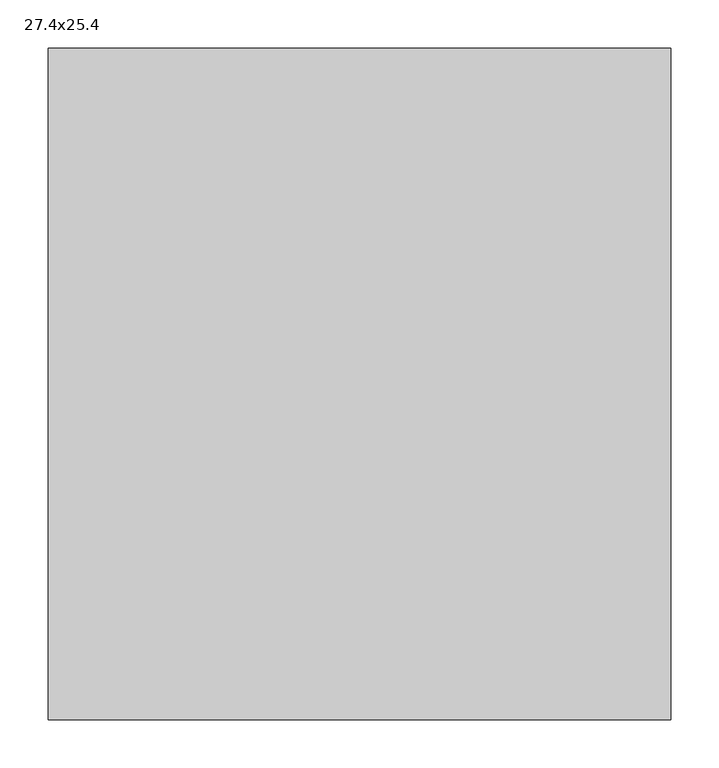
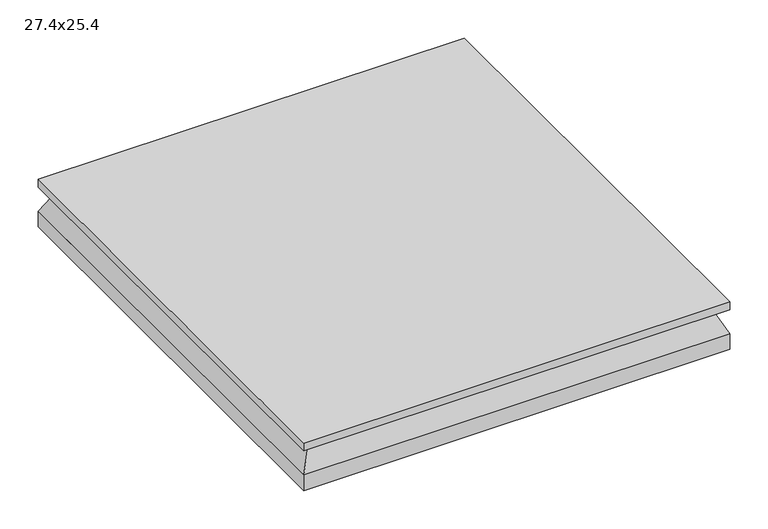
"""IFC4 building model written with IfcOpenShell, lengths in millimetres: air terminal geometry, 27.4x25.4."""

import ifcopenshell
import ifcopenshell.guid

model = None  # the IFC model being written
_history = None  # IfcOwnerHistory: only IFC2X3 demands one
_inside = {}  # id of a spatial element -> (the spatial element, [elements in it])
_under = {}  # id of a project, library or spatial element -> (it, [spatial elements below it])
_declared = {}  # id of a project -> (the project, [libraries it declares])
_typed = {}  # id of a type object -> (the type object, [elements of that type])
_made_of = {}  # id of a material, layer set ... -> (it, [elements and type objects made of it])


def new_model(schema):
    """Start an empty IFC model of exactly this schema.

    Asked for "IFC4X3", IfcOpenShell would pick the latest addendum, in which some entities
    have other attributes; the version numbers below select the first issue.
    IFC2X3 requires an IfcOwnerHistory on every rooted entity: one is made here for all.
    """
    global model, _history
    if schema == "IFC4X3":
        model = ifcopenshell.file(schema_version=(4, 3, 0, 0))
    else:
        model = ifcopenshell.file(schema=schema)
    _inside.clear()
    _under.clear()
    _declared.clear()
    _typed.clear()
    _made_of.clear()
    _history = None
    if model.schema == "IFC2X3":
        org = make("IfcOrganization", Name="unknown")
        user = make(
            "IfcPersonAndOrganization",
            ThePerson=make("IfcPerson", FamilyName="unknown"),
            TheOrganization=org,
        )
        app = make(
            "IfcApplication",
            ApplicationDeveloper=org,
            Version="unknown",
            ApplicationFullName="unknown",
            ApplicationIdentifier="unknown",
        )
        _history = make(
            "IfcOwnerHistory",
            OwningUser=user,
            OwningApplication=app,
            ChangeAction="ADDED",
            CreationDate=0,
        )
    return model


def make(cls, **values):
    """One entity of the class cls with the attributes given. An attribute that is None is left unset."""
    return model.create_entity(
        cls, **{name: value for name, value in values.items() if value is not None}
    )


def rooted(cls, **values):
    """An entity with a GlobalId (a new one), such as an element, a storey or a relation."""
    return make(cls, GlobalId=ifcopenshell.guid.new(), OwnerHistory=_history, **values)


def si_unit(unit_type, name, prefix=None):
    """IfcSIUnit, for example si_unit("LENGTHUNIT", "METRE", prefix="MILLI")."""
    return make("IfcSIUnit", UnitType=unit_type, Prefix=prefix, Name=name)


def assignment(units):
    """IfcUnitAssignment: the units of a project."""
    return None if units is None else make("IfcUnitAssignment", Units=units)


def point(xyz):
    """IfcCartesianPoint."""
    return None if xyz is None else make("IfcCartesianPoint", Coordinates=xyz)


def direction(xyz):
    """IfcDirection."""
    return None if xyz is None else make("IfcDirection", DirectionRatios=xyz)


def frame(location, z_axis=None, x_axis=None):
    """IfcAxis2Placement3D, a coordinate frame: its origin and axes. An axis left out is left unset."""
    return make(
        "IfcAxis2Placement3D",
        Location=point(location),
        Axis=direction(z_axis),
        RefDirection=direction(x_axis),
    )


def origin():
    """The frame at (0, 0, 0) with its axes left unset."""
    return frame((0.0, 0.0, 0.0))


def origin_with_axes():
    """The frame at (0, 0, 0) with the z axis (0, 0, 1) and the x axis (1, 0, 0) written out."""
    return frame((0.0, 0.0, 0.0), z_axis=(0.0, 0.0, 1.0), x_axis=(1.0, 0.0, 0.0))


def place(relative_to, where):
    """IfcLocalPlacement: puts the frame where relative to a parent placement (None: the world)."""
    return make(
        "IfcLocalPlacement", PlacementRelTo=relative_to, RelativePlacement=where
    )


def context(
    kind, dimensions, precision=None, world=None, true_north=None, identifier=None
):
    """IfcGeometricRepresentationContext, for example the 3D "Model" context."""
    return make(
        "IfcGeometricRepresentationContext",
        ContextIdentifier=identifier,
        ContextType=kind,
        CoordinateSpaceDimension=dimensions,
        Precision=precision,
        WorldCoordinateSystem=world,
        TrueNorth=true_north,
    )


def project(units=None, contexts=None):
    """IfcProject with its units and contexts."""
    return rooted(
        "IfcProject",
        Name="project",
        RepresentationContexts=contexts,
        UnitsInContext=assignment(units),
    )


def spatial(cls, under=None, at=None, **own):
    """A site, building, storey or space (cls), placed at a placement, below another one or the project."""
    s = rooted(cls, ObjectPlacement=at, **own)
    if under is not None:
        _under.setdefault(under.id(), (under, []))[1].append(s)
    return s


def polyline(points):
    """IfcPolyline through the points."""
    return make("IfcPolyline", Points=[point(p) for p in points])


def outline(outer, holes=None, kind="AREA"):
    """IfcArbitraryClosedProfileDef: a profile drawn as a closed curve; with holes, ...WithVoids."""
    if holes is None:
        return make("IfcArbitraryClosedProfileDef", ProfileType=kind, OuterCurve=outer)
    return make(
        "IfcArbitraryProfileDefWithVoids",
        ProfileType=kind,
        OuterCurve=outer,
        InnerCurves=holes,
    )


def extrude(swept, where, along, depth):
    """IfcExtrudedAreaSolid: the profile swept, set in the frame where, extruded along a direction by depth."""
    return make(
        "IfcExtrudedAreaSolid",
        SweptArea=swept,
        Position=where,
        ExtrudedDirection=direction(along),
        Depth=depth,
    )


def faces_of(points, faces, orient=None, outer=None):
    """IfcFace entities. A face is a list of loops; a loop is a list of indices into points, from 0.

    orient and outer hold one flag for each loop. By default every Orientation is true, the
    first loop of a face is its IfcFaceOuterBound and the others are IfcFaceBound.
    """
    made = []
    for i, loops in enumerate(faces):
        bounds = []
        for j, loop in enumerate(loops):
            is_outer = j == 0 if outer is None else outer[i][j]
            bounds.append(
                make(
                    "IfcFaceOuterBound" if is_outer else "IfcFaceBound",
                    Bound=make("IfcPolyLoop", Polygon=[points[k] for k in loop]),
                    Orientation=True if orient is None else orient[i][j],
                )
            )
        made.append(make("IfcFace", Bounds=bounds))
    return made


def faceted_brep(points, faces, orient=None, outer=None, voids=None):
    """IfcFacetedBrep: a solid bounded by flat faces; with voids (closed shells), ...WithVoids."""
    shared = [point(p) for p in points]
    hull = make("IfcClosedShell", CfsFaces=faces_of(shared, faces, orient, outer))
    if voids is None:
        return make("IfcFacetedBrep", Outer=hull)
    return make(
        "IfcFacetedBrepWithVoids",
        Outer=hull,
        Voids=[
            make(cls, CfsFaces=faces_of(shared, fs, o, b)) for cls, fs, o, b in voids
        ],
    )


def shape(context_of_items, identifier, shape_type, items):
    """IfcShapeRepresentation: the items that make up one representation, for example the "Body"."""
    return make(
        "IfcShapeRepresentation",
        ContextOfItems=context_of_items,
        RepresentationIdentifier=identifier,
        RepresentationType=shape_type,
        Items=items,
    )


def source(mapping_origin, context_of_items, identifier, shape_type, items):
    """IfcRepresentationMap: a shape defined once, which mapped items show again and again."""
    return make(
        "IfcRepresentationMap",
        MappingOrigin=mapping_origin,
        MappedRepresentation=shape(context_of_items, identifier, shape_type, items),
    )


def transform(
    local_origin,
    x_axis=None,
    y_axis=None,
    z_axis=None,
    scale=None,
    scale2=None,
    scale3=None,
    uniform=True,
):
    """IfcCartesianTransformationOperator3D, or its non-uniform kind. x_axis, y_axis, z_axis: its Axis1, 2, 3."""
    if uniform:
        return make(
            "IfcCartesianTransformationOperator3D",
            Axis1=direction(x_axis),
            Axis2=direction(y_axis),
            LocalOrigin=point(local_origin),
            Scale=scale,
            Axis3=direction(z_axis),
        )
    return make(
        "IfcCartesianTransformationOperator3DnonUniform",
        Axis1=direction(x_axis),
        Axis2=direction(y_axis),
        LocalOrigin=point(local_origin),
        Scale=scale,
        Axis3=direction(z_axis),
        Scale2=scale2,
        Scale3=scale3,
    )


def mapped(mapping_source, mapping_target):
    """IfcMappedItem: shows the shape of a source again, moved by a transform."""
    return make(
        "IfcMappedItem", MappingSource=mapping_source, MappingTarget=mapping_target
    )


def made_of(thing, what):
    """Note that an element or type object is made of a material, layer set ...; save() writes the relation."""
    if what is not None:
        _made_of.setdefault(what.id(), (what, []))[1].append(thing)
    return thing


def element(
    cls,
    number,
    at=None,
    inside=None,
    cuts=None,
    type_object=None,
    material=None,
    context=None,
    identifier="Body",
    shape_type=None,
    held_by="IfcProductDefinitionShape",
    body=None,
    shapes=None,
    **own,
):
    """One element of the class cls, such as IfcWall. Its Tag is "e" and its number.

    at: its placement. inside: the storey or other place that contains it. cuts: it is an
    opening in that element (IfcRelVoidsElement). A single representation is given by context,
    identifier, shape_type and body (its items); several are given by shapes. held_by: the class
    of the entity that holds the representations. save() writes the other relations.
    """
    e = rooted(cls, Tag="e%d" % number, ObjectPlacement=at, **own)
    if body is not None:
        shapes = [shape(context, identifier, shape_type, body)]
    if shapes is not None:
        e.Representation = make(held_by, Representations=shapes)
    if inside is not None:
        _inside.setdefault(inside.id(), (inside, []))[1].append(e)
    if cuts is not None:
        rooted(
            "IfcRelVoidsElement", RelatingBuildingElement=cuts, RelatedOpeningElement=e
        )
    if type_object is not None:
        _typed.setdefault(type_object.id(), (type_object, []))[1].append(e)
    return made_of(e, material)


def aggregate(whole, parts):
    """IfcRelAggregates: a whole, such as a stair, and the parts it consists of."""
    return rooted("IfcRelAggregates", RelatingObject=whole, RelatedObjects=parts)


def save(model, path):
    """Write the relations noted so far, then the file.

    IfcRelAggregates (storeys below a building ...), IfcRelContainedInSpatialStructure (elements
    in a storey), IfcRelDefinesByType, IfcRelAssociatesMaterial and IfcRelDeclares: one each for
    every whole, place, type object, material and project.
    """
    for whole, parts in _under.values():
        aggregate(whole, parts)
    for where, things in _inside.values():
        rooted(
            "IfcRelContainedInSpatialStructure",
            RelatedElements=things,
            RelatingStructure=where,
        )
    for kind, things in _typed.values():
        rooted("IfcRelDefinesByType", RelatedObjects=things, RelatingType=kind)
    for what, things in _made_of.values():
        rooted("IfcRelAssociatesMaterial", RelatedObjects=things, RelatingMaterial=what)
    for by, libraries in _declared.values():
        rooted("IfcRelDeclares", RelatingContext=by, RelatedDefinitions=libraries)
    model.write(path)


def air_terminal_27_4x25_4_309ef110(model_context):
    return source(origin(), model_context, "Body", "SolidModel", [
        faceted_brep([(-303.53, -328.93, 0.0), (303.53, -328.93, 0.0), (303.53, 328.93, 0.0), (-303.53, 328.93, 0.0), (-322.5601562, -347.9601563, -38.1), (-322.5601562, 347.9601562, -38.1), (322.5601563, 347.9601562, -38.1), (322.5601563, -347.9601563, -38.1)], [[[0, 1, 2, 3]], [[4, 5, 6, 7]], [[4, 7, 1, 0]], [[7, 6, 2, 1]], [[6, 5, 3, 2]], [[5, 4, 0, 3]]]),
        extrude(outline(polyline([(322.58, 347.98), (322.58, -347.98), (-322.58, -347.98), (-322.58, 347.98), (322.58, 347.98)])), origin_with_axes(), (0.0, 0.0, 1.0), 12.7),
        extrude(outline(polyline([(-322.5601562, 347.9601562), (322.5601563, 347.9601562), (322.5601563, -347.9601563), (-322.5601562, -347.9601563), (-322.5601562, 347.9601562)])), frame((0.0, 0.0, -63.5), z_axis=(0.0, 0.0, 1.0), x_axis=(1.0, 0.0, 0.0)), (0.0, 0.0, 1.0), 25.4),
    ])


if __name__ == "__main__":
    model = new_model("IFC4")
    model_context = context("Model", 3, world=origin())
    ifc_project = project(units=[si_unit("LENGTHUNIT", "METRE", prefix="MILLI")], contexts=[model_context])
    site = spatial("IfcSite", under=ifc_project)
    building = spatial("IfcBuilding", under=site)
    placement = place(None, origin())
    air_terminal_27_4x25_4_shape = air_terminal_27_4x25_4_309ef110(model_context)
    element("IfcAirTerminal", 1, ObjectType="27.4x25.4", at=placement, inside=building, context=model_context, shape_type="MappedRepresentation", body=[
        mapped(air_terminal_27_4x25_4_shape, transform((0.0, 0.0, 0.0), x_axis=(1.0, 0.0, 0.0), y_axis=(0.0, 1.0, 0.0), z_axis=(0.0, 0.0, 1.0))),
    ])
    save(model, "model.ifc")
